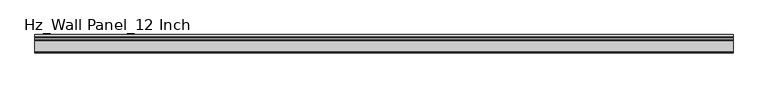
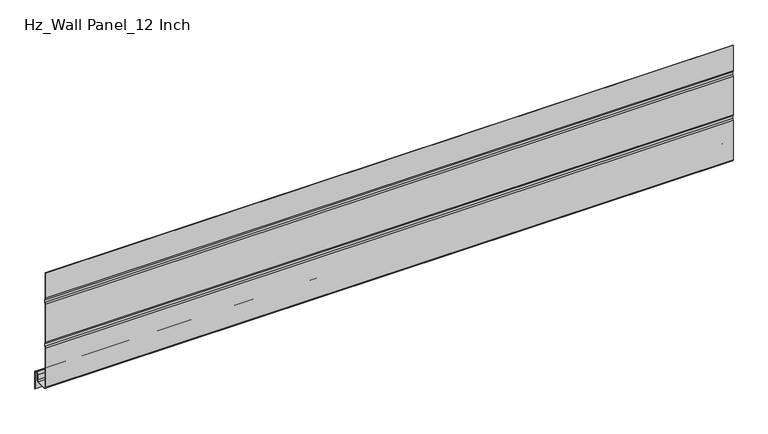
"""IFC4 building model written with IfcOpenShell, lengths in millimetres: plate geometry, Hz_Wall Panel_12 Inch."""

import ifcopenshell
import ifcopenshell.guid

model = None  # the IFC model being written
_history = None  # IfcOwnerHistory: only IFC2X3 demands one
_inside = {}  # id of a spatial element -> (the spatial element, [elements in it])
_under = {}  # id of a project, library or spatial element -> (it, [spatial elements below it])
_declared = {}  # id of a project -> (the project, [libraries it declares])
_typed = {}  # id of a type object -> (the type object, [elements of that type])
_made_of = {}  # id of a material, layer set ... -> (it, [elements and type objects made of it])


def new_model(schema):
    """Start an empty IFC model of exactly this schema.

    Asked for "IFC4X3", IfcOpenShell would pick the latest addendum, in which some entities
    have other attributes; the version numbers below select the first issue.
    IFC2X3 requires an IfcOwnerHistory on every rooted entity: one is made here for all.
    """
    global model, _history
    if schema == "IFC4X3":
        model = ifcopenshell.file(schema_version=(4, 3, 0, 0))
    else:
        model = ifcopenshell.file(schema=schema)
    _inside.clear()
    _under.clear()
    _declared.clear()
    _typed.clear()
    _made_of.clear()
    _history = None
    if model.schema == "IFC2X3":
        org = make("IfcOrganization", Name="unknown")
        user = make(
            "IfcPersonAndOrganization",
            ThePerson=make("IfcPerson", FamilyName="unknown"),
            TheOrganization=org,
        )
        app = make(
            "IfcApplication",
            ApplicationDeveloper=org,
            Version="unknown",
            ApplicationFullName="unknown",
            ApplicationIdentifier="unknown",
        )
        _history = make(
            "IfcOwnerHistory",
            OwningUser=user,
            OwningApplication=app,
            ChangeAction="ADDED",
            CreationDate=0,
        )
    return model


def make(cls, **values):
    """One entity of the class cls with the attributes given. An attribute that is None is left unset."""
    return model.create_entity(
        cls, **{name: value for name, value in values.items() if value is not None}
    )


def rooted(cls, **values):
    """An entity with a GlobalId (a new one), such as an element, a storey or a relation."""
    return make(cls, GlobalId=ifcopenshell.guid.new(), OwnerHistory=_history, **values)


def si_unit(unit_type, name, prefix=None):
    """IfcSIUnit, for example si_unit("LENGTHUNIT", "METRE", prefix="MILLI")."""
    return make("IfcSIUnit", UnitType=unit_type, Prefix=prefix, Name=name)


def assignment(units):
    """IfcUnitAssignment: the units of a project."""
    return None if units is None else make("IfcUnitAssignment", Units=units)


def point(xyz):
    """IfcCartesianPoint."""
    return None if xyz is None else make("IfcCartesianPoint", Coordinates=xyz)


def direction(xyz):
    """IfcDirection."""
    return None if xyz is None else make("IfcDirection", DirectionRatios=xyz)


def frame(location, z_axis=None, x_axis=None):
    """IfcAxis2Placement3D, a coordinate frame: its origin and axes. An axis left out is left unset."""
    return make(
        "IfcAxis2Placement3D",
        Location=point(location),
        Axis=direction(z_axis),
        RefDirection=direction(x_axis),
    )


def frame_2d(location, x_axis=None):
    """IfcAxis2Placement2D, a coordinate frame in the plane: its origin and x axis."""
    return make(
        "IfcAxis2Placement2D", Location=point(location), RefDirection=direction(x_axis)
    )


def origin():
    """The frame at (0, 0, 0) with its axes left unset."""
    return frame((0.0, 0.0, 0.0))


def place(relative_to, where):
    """IfcLocalPlacement: puts the frame where relative to a parent placement (None: the world)."""
    return make(
        "IfcLocalPlacement", PlacementRelTo=relative_to, RelativePlacement=where
    )


def context(
    kind, dimensions, precision=None, world=None, true_north=None, identifier=None
):
    """IfcGeometricRepresentationContext, for example the 3D "Model" context."""
    return make(
        "IfcGeometricRepresentationContext",
        ContextIdentifier=identifier,
        ContextType=kind,
        CoordinateSpaceDimension=dimensions,
        Precision=precision,
        WorldCoordinateSystem=world,
        TrueNorth=true_north,
    )


def project(units=None, contexts=None):
    """IfcProject with its units and contexts."""
    return rooted(
        "IfcProject",
        Name="project",
        RepresentationContexts=contexts,
        UnitsInContext=assignment(units),
    )


def spatial(cls, under=None, at=None, **own):
    """A site, building, storey or space (cls), placed at a placement, below another one or the project."""
    s = rooted(cls, ObjectPlacement=at, **own)
    if under is not None:
        _under.setdefault(under.id(), (under, []))[1].append(s)
    return s


def polyline(points):
    """IfcPolyline through the points."""
    return make("IfcPolyline", Points=[point(p) for p in points])


def circle_curve(where, radius):
    """IfcCircle in the frame where."""
    return make("IfcCircle", Position=where, Radius=radius)


def trimmed(basis, trim1, trim2, sense, master):
    """IfcTrimmedCurve: the piece of a basis curve between two trims."""
    return make(
        "IfcTrimmedCurve",
        BasisCurve=basis,
        Trim1=trim1,
        Trim2=trim2,
        SenseAgreement=sense,
        MasterRepresentation=master,
    )


def segment(curve, same_sense, transition):
    """IfcCompositeCurveSegment."""
    return make(
        "IfcCompositeCurveSegment",
        Transition=transition,
        SameSense=same_sense,
        ParentCurve=curve,
    )


def composite_curve(segments, self_intersect=None):
    """IfcCompositeCurve: segments joined end to end."""
    return make("IfcCompositeCurve", Segments=segments, SelfIntersect=self_intersect)


def outline(outer, holes=None, kind="AREA"):
    """IfcArbitraryClosedProfileDef: a profile drawn as a closed curve; with holes, ...WithVoids."""
    if holes is None:
        return make("IfcArbitraryClosedProfileDef", ProfileType=kind, OuterCurve=outer)
    return make(
        "IfcArbitraryProfileDefWithVoids",
        ProfileType=kind,
        OuterCurve=outer,
        InnerCurves=holes,
    )


def extrude(swept, where, along, depth):
    """IfcExtrudedAreaSolid: the profile swept, set in the frame where, extruded along a direction by depth."""
    return make(
        "IfcExtrudedAreaSolid",
        SweptArea=swept,
        Position=where,
        ExtrudedDirection=direction(along),
        Depth=depth,
    )


def shape(context_of_items, identifier, shape_type, items):
    """IfcShapeRepresentation: the items that make up one representation, for example the "Body"."""
    return make(
        "IfcShapeRepresentation",
        ContextOfItems=context_of_items,
        RepresentationIdentifier=identifier,
        RepresentationType=shape_type,
        Items=items,
    )


def source(mapping_origin, context_of_items, identifier, shape_type, items):
    """IfcRepresentationMap: a shape defined once, which mapped items show again and again."""
    return make(
        "IfcRepresentationMap",
        MappingOrigin=mapping_origin,
        MappedRepresentation=shape(context_of_items, identifier, shape_type, items),
    )


def transform(
    local_origin,
    x_axis=None,
    y_axis=None,
    z_axis=None,
    scale=None,
    scale2=None,
    scale3=None,
    uniform=True,
):
    """IfcCartesianTransformationOperator3D, or its non-uniform kind. x_axis, y_axis, z_axis: its Axis1, 2, 3."""
    if uniform:
        return make(
            "IfcCartesianTransformationOperator3D",
            Axis1=direction(x_axis),
            Axis2=direction(y_axis),
            LocalOrigin=point(local_origin),
            Scale=scale,
            Axis3=direction(z_axis),
        )
    return make(
        "IfcCartesianTransformationOperator3DnonUniform",
        Axis1=direction(x_axis),
        Axis2=direction(y_axis),
        LocalOrigin=point(local_origin),
        Scale=scale,
        Axis3=direction(z_axis),
        Scale2=scale2,
        Scale3=scale3,
    )


def mapped(mapping_source, mapping_target):
    """IfcMappedItem: shows the shape of a source again, moved by a transform."""
    return make(
        "IfcMappedItem", MappingSource=mapping_source, MappingTarget=mapping_target
    )


def made_of(thing, what):
    """Note that an element or type object is made of a material, layer set ...; save() writes the relation."""
    if what is not None:
        _made_of.setdefault(what.id(), (what, []))[1].append(thing)
    return thing


def element(
    cls,
    number,
    at=None,
    inside=None,
    cuts=None,
    type_object=None,
    material=None,
    context=None,
    identifier="Body",
    shape_type=None,
    held_by="IfcProductDefinitionShape",
    body=None,
    shapes=None,
    **own,
):
    """One element of the class cls, such as IfcWall. Its Tag is "e" and its number.

    at: its placement. inside: the storey or other place that contains it. cuts: it is an
    opening in that element (IfcRelVoidsElement). A single representation is given by context,
    identifier, shape_type and body (its items); several are given by shapes. held_by: the class
    of the entity that holds the representations. save() writes the other relations.
    """
    e = rooted(cls, Tag="e%d" % number, ObjectPlacement=at, **own)
    if body is not None:
        shapes = [shape(context, identifier, shape_type, body)]
    if shapes is not None:
        e.Representation = make(held_by, Representations=shapes)
    if inside is not None:
        _inside.setdefault(inside.id(), (inside, []))[1].append(e)
    if cuts is not None:
        rooted(
            "IfcRelVoidsElement", RelatingBuildingElement=cuts, RelatedOpeningElement=e
        )
    if type_object is not None:
        _typed.setdefault(type_object.id(), (type_object, []))[1].append(e)
    return made_of(e, material)


def aggregate(whole, parts):
    """IfcRelAggregates: a whole, such as a stair, and the parts it consists of."""
    return rooted("IfcRelAggregates", RelatingObject=whole, RelatedObjects=parts)


def save(model, path):
    """Write the relations noted so far, then the file.

    IfcRelAggregates (storeys below a building ...), IfcRelContainedInSpatialStructure (elements
    in a storey), IfcRelDefinesByType, IfcRelAssociatesMaterial and IfcRelDeclares: one each for
    every whole, place, type object, material and project.
    """
    for whole, parts in _under.values():
        aggregate(whole, parts)
    for where, things in _inside.values():
        rooted(
            "IfcRelContainedInSpatialStructure",
            RelatedElements=things,
            RelatingStructure=where,
        )
    for kind, things in _typed.values():
        rooted("IfcRelDefinesByType", RelatedObjects=things, RelatingType=kind)
    for what, things in _made_of.values():
        rooted("IfcRelAssociatesMaterial", RelatedObjects=things, RelatingMaterial=what)
    for by, libraries in _declared.values():
        rooted("IfcRelDeclares", RelatingContext=by, RelatedDefinitions=libraries)
    model.write(path)


def hz_wall_panel_12_inch_f4758dcb(model_context):
    return source(origin(), model_context, "Body", "SweptSolid", [
        extrude(outline(composite_curve([segment(polyline([(-38.0, 201.4385501), (-38.0, 258.065625), (-37.2, 258.065625), (-37.2, 201.4385501)]), True, "CONTINUOUS"), segment(trimmed(circle_curve(frame_2d((-32.6854733, 201.4385501)), 4.5145267), [point((-37.2, 201.4385501))], [point((-35.70775, 198.084926))], True, "CARTESIAN"), True, "CONTINUOUS"), segment(polyline([(-35.70775, 198.084926), (-35.70775, 192.0925395)]), True, "CONTINUOUS"), segment(trimmed(circle_curve(frame_2d((-32.6854733, 188.7389154)), 4.5145267), [point((-35.70775, 192.0925395))], [point((-37.2, 188.7389154))], True, "CARTESIAN"), True, "CONTINUOUS"), segment(polyline([(-37.2, 188.7389154), (-37.2, 103.6314441)]), True, "CONTINUOUS"), segment(trimmed(circle_curve(frame_2d((-32.6854733, 103.6314441)), 4.5145267), [point((-37.2, 103.6314441))], [point((-35.70775, 100.27782))], True, "CARTESIAN"), True, "CONTINUOUS"), segment(polyline([(-35.70775, 100.27782), (-35.70775, 94.2854335)]), True, "CONTINUOUS"), segment(trimmed(circle_curve(frame_2d((-32.6854733, 90.9318094)), 4.5145267), [point((-35.70775, 94.2854335))], [point((-37.2, 90.9318094))], True, "CARTESIAN"), True, "CONTINUOUS"), segment(polyline([(-37.2, 90.9318094), (-37.2, 3.29311)]), True, "CONTINUOUS"), segment(trimmed(circle_curve(frame_2d((-34.70689, 3.29311)), 2.49311), [point((-37.2, 3.29311))], [point((-34.70689, 0.8))], True, "CARTESIAN"), True, "CONTINUOUS"), segment(polyline([(-34.70689, 0.8), (-12.42347, 0.8)]), True, "CONTINUOUS"), segment(trimmed(circle_curve(frame_2d((-12.42347, 3.175)), 2.375), [point((-12.42347, 0.8))], [point((-10.04847, 3.175))], True, "CARTESIAN"), True, "CONTINUOUS"), segment(polyline([(-10.04847, 3.175), (-10.04847, 14.707235)]), True, "CONTINUOUS"), segment(trimmed(circle_curve(frame_2d((-6.07347, 14.707235)), 3.975), [point((-10.04847, 14.707235))], [point((-6.07347, 18.682235))], False, "CARTESIAN"), True, "CONTINUOUS"), segment(polyline([(-6.07347, 18.682235), (-3.975, 18.682235)]), True, "CONTINUOUS"), segment(trimmed(circle_curve(frame_2d((-3.975, 14.707235)), 3.975), [point((-3.975, 18.682235))], [point((0.0, 14.707235))], False, "CARTESIAN"), True, "CONTINUOUS"), segment(polyline([(0.0, 14.707235), (0.0, -22.480905), (-0.8, -22.480905), (-0.8, 14.707235)]), True, "CONTINUOUS"), segment(trimmed(circle_curve(frame_2d((-3.975, 14.707235)), 3.175), [point((-0.8, 14.707235))], [point((-3.975, 17.882235))], True, "CARTESIAN"), True, "CONTINUOUS"), segment(polyline([(-3.975, 17.882235), (-6.07347, 17.882235)]), True, "CONTINUOUS"), segment(trimmed(circle_curve(frame_2d((-6.07347, 14.707235)), 3.175), [point((-6.07347, 17.882235))], [point((-9.24847, 14.707235))], True, "CARTESIAN"), True, "CONTINUOUS"), segment(polyline([(-9.24847, 14.707235), (-9.24847, 3.175)]), True, "CONTINUOUS"), segment(trimmed(circle_curve(frame_2d((-12.42347, 3.175)), 3.175), [point((-9.24847, 3.175))], [point((-12.42347, 0.0))], False, "CARTESIAN"), True, "CONTINUOUS"), segment(polyline([(-12.42347, 0.0), (-34.70689, 0.0)]), True, "CONTINUOUS"), segment(trimmed(circle_curve(frame_2d((-34.70689, 3.29311)), 3.29311), [point((-34.70689, 0.0))], [point((-38.0, 3.29311))], False, "CARTESIAN"), True, "CONTINUOUS"), segment(polyline([(-38.0, 3.29311), (-38.0, 90.9318094)]), True, "CONTINUOUS"), segment(trimmed(circle_curve(frame_2d((-32.6854733, 90.9318094)), 5.3145267), [point((-38.0, 90.9318094))], [point((-36.50775, 94.6242876))], False, "CARTESIAN"), True, "CONTINUOUS"), segment(polyline([(-36.50775, 94.6242876), (-36.50775, 99.938966)]), True, "CONTINUOUS"), segment(trimmed(circle_curve(frame_2d((-32.6854733, 103.6314441)), 5.3145267), [point((-36.50775, 99.938966))], [point((-38.0, 103.6314441))], False, "CARTESIAN"), True, "CONTINUOUS"), segment(polyline([(-38.0, 103.6314441), (-38.0, 188.7389154)]), True, "CONTINUOUS"), segment(trimmed(circle_curve(frame_2d((-32.6854733, 188.7389154)), 5.3145267), [point((-38.0, 188.7389154))], [point((-36.50775, 192.4313935))], False, "CARTESIAN"), True, "CONTINUOUS"), segment(polyline([(-36.50775, 192.4313935), (-36.50775, 197.746072)]), True, "CONTINUOUS"), segment(trimmed(circle_curve(frame_2d((-32.6854733, 201.4385501)), 5.3145267), [point((-36.50775, 197.746072))], [point((-38.0, 201.4385501))], False, "CARTESIAN"), True, "CONTINUOUS")], self_intersect=False)), frame((-723.9042608, 0.0, 0.0), z_axis=(1.0, 0.0, 0.0), x_axis=(0.0, 1.0, 0.0)), (0.0, 0.0, 1.0), 1447.8085217),
    ])


if __name__ == "__main__":
    model = new_model("IFC4")
    model_context = context("Model", 3, world=origin())
    ifc_project = project(units=[si_unit("LENGTHUNIT", "METRE", prefix="MILLI")], contexts=[model_context])
    site = spatial("IfcSite", under=ifc_project)
    building = spatial("IfcBuilding", under=site)
    placement = place(None, origin())
    hz_wall_panel_12_inch_shape = hz_wall_panel_12_inch_f4758dcb(model_context)
    element("IfcPlate", 1, ObjectType="Hz_Wall Panel_12 Inch", at=placement, inside=building, context=model_context, shape_type="MappedRepresentation", body=[
        mapped(hz_wall_panel_12_inch_shape, transform((0.0, 0.0, 0.0), x_axis=(1.0, 0.0, 0.0), y_axis=(0.0, 1.0, 0.0), z_axis=(0.0, 0.0, 1.0))),
    ])
    save(model, "model.ifc")
